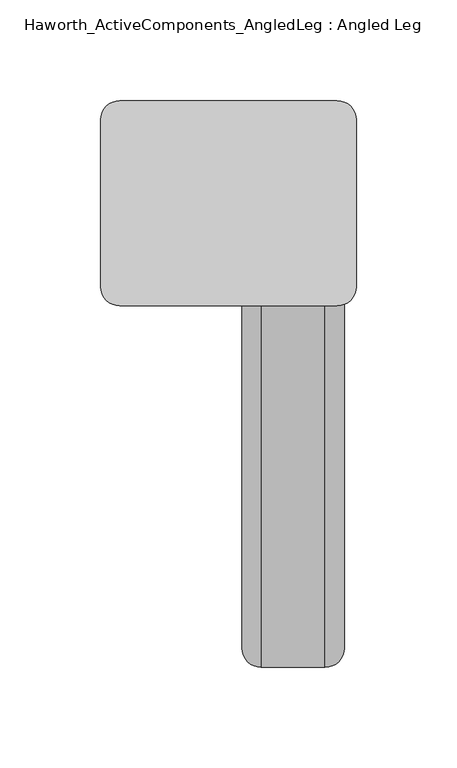
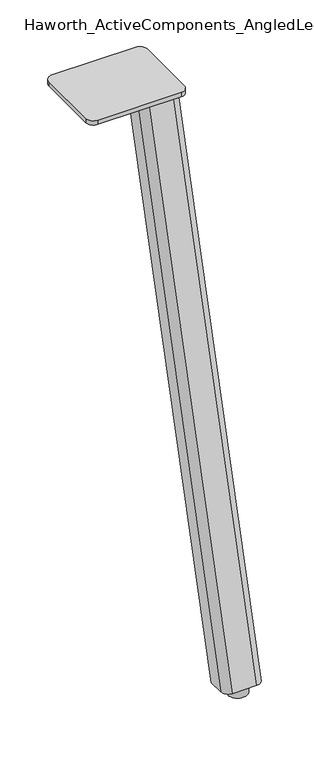
"""IFC4 building model written with IfcOpenShell, lengths in millimetres: furniture geometry, Haworth_ActiveComponents_AngledLeg : Angled Leg."""

from ifc_helpers import new_model, si_unit, point, frame, frame_2d, origin, origin_with_axes, place, context, project, spatial, polyline, circle_curve, trimmed, segment, composite_curve, outline, extrude, source, transform, mapped, element, save
from ifc_brep_helpers import plane_surface, extruded_surface, advanced_brep


def haworth_activecomponents_angledleg_angled_leg_7ea32c8b(model_context):
    return source(origin(), model_context, "Body", "SolidModel", [
        extrude(outline(composite_curve([segment(trimmed(circle_curve(frame_2d((21.844, 271.4625)), 9.525), [point((21.844, 280.9875))], [point((31.369, 271.4625))], False, "CARTESIAN"), True, "CONTINUOUS"), segment(polyline([(31.369, 271.4625), (31.369, 188.7891306)]), True, "CONTINUOUS"), segment(trimmed(circle_curve(frame_2d((21.844, 188.7891306)), 9.525), [point((31.369, 188.7891306))], [point((21.844, 179.2641306))], False, "CARTESIAN"), True, "CONTINUOUS"), segment(polyline([(21.844, 179.2641306), (-86.1059996, 179.2641306)]), True, "CONTINUOUS"), segment(trimmed(circle_curve(frame_2d((-86.1059996, 188.7891306)), 9.525), [point((-86.1059996, 179.2641306))], [point((-95.6309996, 188.7891306))], False, "CARTESIAN"), True, "CONTINUOUS"), segment(polyline([(-95.6309996, 188.7891306), (-95.6309996, 271.4625)]), True, "CONTINUOUS"), segment(trimmed(circle_curve(frame_2d((-86.1059996, 271.4625)), 9.525), [point((-95.6309996, 271.4625))], [point((-86.1059996, 280.9875))], False, "CARTESIAN"), True, "CONTINUOUS"), segment(polyline([(-86.1059996, 280.9875), (21.844, 280.9875)]), True, "CONTINUOUS")], self_intersect=False)), frame((0.0, 0.0, 705.2055742), z_axis=(0.0, 0.0, 1.0), x_axis=(1.0, 0.0, 0.0)), (0.0, 0.0, 1.0), 5.9944258),
        advanced_brep(
        [(15.875, 186.4882907, 705.2055742), (25.4, 196.0132907, 705.2055742), (25.4, 216.6507907, 705.2055742), (-25.4, 216.6507907, 705.2055742), (-25.4, 196.0132907, 705.2055742), (-15.875, 186.4882907, 705.2055742), (15.875, 0.0, 12.7), (-15.875, 0.0, 12.7), (-25.4, 9.525, 12.7), (-25.4, 30.1625, 12.7), (25.4, 30.1625, 12.7), (25.4, 9.525, 12.7)],
        [
            (0, 1, circle_curve(frame((15.875, 196.0132907, 705.2055742), z_axis=(0.0, 0.0, 1.0), x_axis=(1.0, 0.0, 0.0)), 9.525)),
            (1, 2),
            (2, 3),
            (3, 4),
            (4, 5, circle_curve(frame((-15.875, 196.0132907, 705.2055742), z_axis=(0.0, 0.0, 1.0), x_axis=(1.0, 0.0, 0.0)), 9.525)),
            (5, 0),
            (6, 7),
            (7, 8, circle_curve(frame((-15.875, 9.525, 12.7), z_axis=(0.0, 0.0, -1.0), x_axis=(1.0, 0.0, 0.0)), 9.525)),
            (8, 9),
            (9, 10),
            (10, 11),
            (11, 6, circle_curve(frame((15.875, 9.525, 12.7), z_axis=(0.0, 0.0, -1.0), x_axis=(1.0, 0.0, 0.0)), 9.525)),
            (11, 1),
            (0, 6),
            (10, 2),
            (9, 3),
            (8, 4),
            (7, 5),
        ],
        [
            plane_surface(frame((0.0, 199.7174574, 705.2055742), z_axis=(0.0, 0.0, 1.0), x_axis=(-1.0, 0.0, 0.0))),
            plane_surface(frame((0.0, 13.2291667, 12.7), z_axis=(0.0, 0.0, -1.0), x_axis=(-1.0, 0.0, 0.0))),
            extruded_surface(trimmed(circle_curve(frame((15.875, 9.525, 12.7), z_axis=(0.0, 0.0, 1.0), x_axis=(1.0, 0.0, 0.0)), 9.525), [point((15.875, 0.0, 12.7))], [point((25.4, 9.525, 12.7))], True, "CARTESIAN"), (0.0, 186.4882907, 692.5055742), 717.1763052878136),
            plane_surface(frame((25.4, 19.84375, 12.7), z_axis=(1.0, 0.0, 0.0), x_axis=(0.0, 1.0, 0.0))),
            plane_surface(frame((0.0, 30.1625, 12.7), z_axis=(0.0, 0.9656001865922422, -0.260031305140414), x_axis=(-1.0, 0.0, 0.0))),
            plane_surface(frame((-25.4, 19.84375, 12.7), z_axis=(-1.0, 0.0, 0.0), x_axis=(0.0, -1.0, 0.0))),
            extruded_surface(trimmed(circle_curve(frame((-15.875, 9.525, 12.7), z_axis=(0.0, 0.0, 1.0), x_axis=(1.0, 0.0, 0.0)), 9.525), [point((-25.4, 9.525, 12.7))], [point((-15.875, 0.0, 12.7))], True, "CARTESIAN"), (0.0, 186.4882907, 692.5055742), 717.1763052878136),
            plane_surface(frame((0.0, 0.0, 12.7), z_axis=(0.0, -0.9656001865922422, 0.260031305140414), x_axis=(1.0, 0.0, 0.0))),
        ],
        [
            (0, [[1, 2, 3, 4, 5, 6]]),
            (1, [[7, 8, 9, 10, 11, 12]]),
            (2, [[-12, 13, -1, 14]]),
            (3, [[-11, 15, -2, -13]]),
            (4, [[-10, 16, -3, -15]]),
            (5, [[-9, 17, -4, -16]]),
            (6, [[-8, 18, -5, -17]]),
            (7, [[-7, -14, -6, -18]]),
        ],
    ),
        extrude(outline(composite_curve([segment(trimmed(circle_curve(frame_2d((0.0, 15.875)), 12.7), [point((-12.7, 15.875))], [point((12.7, 15.875))], False, "CARTESIAN"), True, "CONTINUOUS"), segment(trimmed(circle_curve(frame_2d((0.0, 15.875)), 12.7), [point((12.7, 15.875))], [point((-12.7, 15.875))], False, "CARTESIAN"), True, "CONTINUOUS")], self_intersect=False)), origin_with_axes(), (0.0, 0.0, 1.0), 12.7),
    ])


if __name__ == "__main__":
    model = new_model("IFC4")
    model_context = context("Model", 3, world=origin())
    ifc_project = project(units=[si_unit("LENGTHUNIT", "METRE", prefix="MILLI")], contexts=[model_context])
    site = spatial("IfcSite", under=ifc_project)
    building = spatial("IfcBuilding", under=site)
    placement = place(None, origin())
    haworth_activecomponents_angledleg_angled_leg_shape = haworth_activecomponents_angledleg_angled_leg_7ea32c8b(model_context)
    element("IfcFurniture", 1, ObjectType="Haworth_ActiveComponents_AngledLeg : Angled Leg", at=placement, inside=building, context=model_context, shape_type="MappedRepresentation", body=[
        mapped(haworth_activecomponents_angledleg_angled_leg_shape, transform((0.0, 0.0, 0.0), x_axis=(1.0, 0.0, 0.0), y_axis=(0.0, 1.0, 0.0), z_axis=(0.0, 0.0, 1.0))),
    ])
    save(model, "model.ifc")
